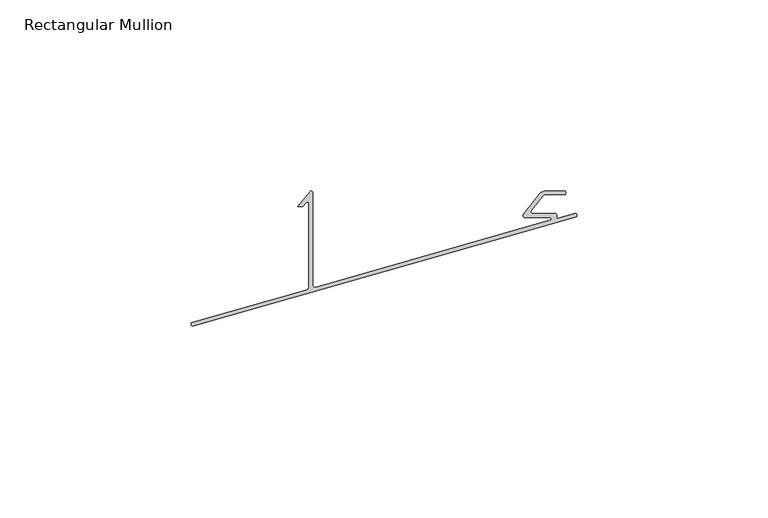
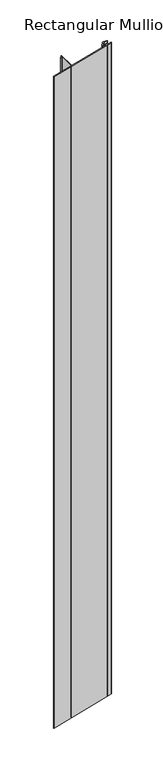
"""IFC4 building model written with IfcOpenShell, lengths in millimetres: member geometry, Rectangular Mullion."""

from ifc_helpers import new_model, si_unit, point, frame, frame_2d, origin, place, context, project, spatial, polyline, circle_curve, trimmed, segment, composite_curve, outline, extrude, source, transform, mapped, element, save


def rectangular_mullion_3cafed5c(model_context):
    return source(origin(), model_context, "Body", "SweptSolid", [
        extrude(outline(composite_curve([segment(polyline([(0.0, -0.9296114), (-100.0, -29.4790923)]), True, "CONTINUOUS"), segment(trimmed(circle_curve(frame_2d((-100.1372629, -28.9983027)), 0.4999998), [point((-100.0, -29.4790923))], [point((-100.2745259, -28.5175131))], False, "CARTESIAN"), True, "CONTINUOUS"), segment(polyline([(-100.2745259, -28.5175131), (-70.3323903, -19.9691888)]), True, "CONTINUOUS"), segment(trimmed(circle_curve(frame_2d((-70.5311602, -19.2729597)), 0.7240473), [point((-70.3323903, -19.9691888))], [point((-69.8071129, -19.2729597))], True, "CARTESIAN"), True, "CONTINUOUS"), segment(polyline([(-69.8071129, -19.2729597), (-69.8071129, 2.8955648)]), True, "CONTINUOUS"), segment(trimmed(circle_curve(frame_2d((-70.1612282, 2.5425742)), 0.5), [point((-69.8071129, 2.8955648))], [point((-70.5442504, 2.863968))], True, "CARTESIAN"), True, "CONTINUOUS"), segment(polyline([(-70.5442504, 2.863968), (-71.3674653, 1.8828986), (-72.6728726, 1.8828986), (-69.4399669, 5.7357256)]), True, "CONTINUOUS"), segment(trimmed(circle_curve(frame_2d((-69.1654584, 5.5053855)), 0.3583455), [point((-69.4399669, 5.7357256))], [point((-68.8071129, 5.5053855))], False, "CARTESIAN"), True, "CONTINUOUS"), segment(polyline([(-68.8071129, 5.5053855), (-68.8071129, -18.8765501)]), True, "CONTINUOUS"), segment(trimmed(circle_curve(frame_2d((-68.29857, -18.85938)), 0.5088326), [point((-68.8071129, -18.8765501))], [point((-68.1588823, -19.348663))], True, "CARTESIAN"), True, "CONTINUOUS"), segment(polyline([(-68.1588823, -19.348663), (-6.5948186, -1.7724424)]), True, "CONTINUOUS"), segment(trimmed(circle_curve(frame_2d((-6.7797848, -1.4075398)), 0.4091044), [point((-6.5948186, -1.7724424))], [point((-6.7440397, -1.0))], True, "CARTESIAN"), True, "CONTINUOUS"), segment(polyline([(-6.7440397, -1.0), (-13.2838492, -1.0)]), True, "CONTINUOUS"), segment(trimmed(circle_curve(frame_2d((-13.2991511, -0.5618113)), 0.4384558), [point((-13.2838492, -1.0))], [point((-13.644659, -0.2918709))], False, "CARTESIAN"), True, "CONTINUOUS"), segment(polyline([(-13.644659, -0.2918709), (-9.3803973, 5.1661352)]), True, "CONTINUOUS"), segment(trimmed(circle_curve(frame_2d((-7.8043758, 3.9348123)), 2.0), [point((-9.3803973, 5.1661352))], [point((-7.8043758, 5.9348123))], False, "CARTESIAN"), True, "CONTINUOUS"), segment(polyline([(-7.8043758, 5.9348123), (-3.0509994, 5.9348123)]), True, "CONTINUOUS"), segment(trimmed(circle_curve(frame_2d((-3.0509994, 5.4348123)), 0.5), [point((-3.0509994, 5.9348123))], [point((-3.0509994, 4.9348123))], False, "CARTESIAN"), True, "CONTINUOUS"), segment(polyline([(-3.0509994, 4.9348123), (-7.8043758, 4.9348123)]), True, "CONTINUOUS"), segment(trimmed(circle_curve(frame_2d((-7.8043758, 3.9348123)), 1.0), [point((-7.8043758, 4.9348123))], [point((-8.5923866, 4.5504737))], True, "CARTESIAN"), True, "CONTINUOUS"), segment(polyline([(-8.5923866, 4.5504737), (-11.5591492, 0.7531907)]), True, "CONTINUOUS"), segment(trimmed(circle_curve(frame_2d((-11.2700264, 0.4320873)), 0.4320873), [point((-11.5591492, 0.7531907))], [point((-11.2700264, 0.0))], True, "CARTESIAN"), True, "CONTINUOUS"), segment(polyline([(-11.2700264, 0.0), (-5.3824428, 0.0)]), True, "CONTINUOUS"), segment(trimmed(circle_curve(frame_2d((-5.3824428, -0.5)), 0.5), [point((-5.3824428, 0.0))], [point((-4.8824428, -0.5))], False, "CARTESIAN"), True, "CONTINUOUS"), segment(polyline([(-4.8824428, -0.5), (-4.8824428, -1.2835681), (-0.274526, 0.0319683)]), True, "CONTINUOUS"), segment(trimmed(circle_curve(frame_2d((-0.137263, -0.4488216)), 0.5), [point((-0.274526, 0.0319683))], [point((0.0, -0.9296114))], False, "CARTESIAN"), True, "CONTINUOUS")], self_intersect=False)), frame((0.0, 0.0, -1000.0), z_axis=(0.0, 0.0, 1.0), x_axis=(1.0, 0.0, 0.0)), (0.0, 0.0, 1.0), 1000.0),
    ])


if __name__ == "__main__":
    model = new_model("IFC4")
    model_context = context("Model", 3, world=origin())
    ifc_project = project(units=[si_unit("LENGTHUNIT", "METRE", prefix="MILLI")], contexts=[model_context])
    site = spatial("IfcSite", under=ifc_project)
    building = spatial("IfcBuilding", under=site)
    placement = place(None, origin())
    rectangular_mullion_shape = rectangular_mullion_3cafed5c(model_context)
    element("IfcMember", 1, ObjectType="Rectangular Mullion", at=placement, inside=building, context=model_context, shape_type="MappedRepresentation", body=[
        mapped(rectangular_mullion_shape, transform((0.0, 0.0, 0.0), x_axis=(1.0, 0.0, 0.0), y_axis=(0.0, 1.0, 0.0), z_axis=(0.0, 0.0, 1.0))),
    ])
    save(model, "model.ifc")
